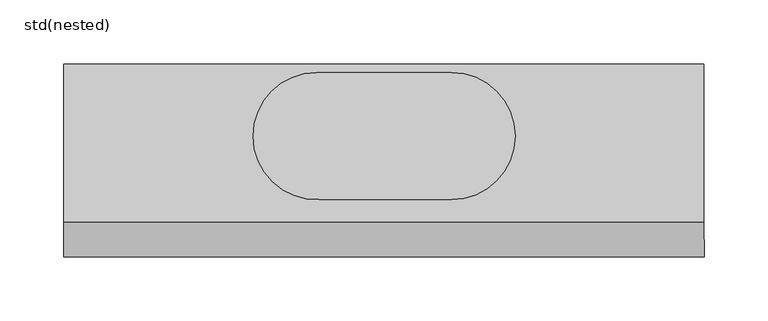
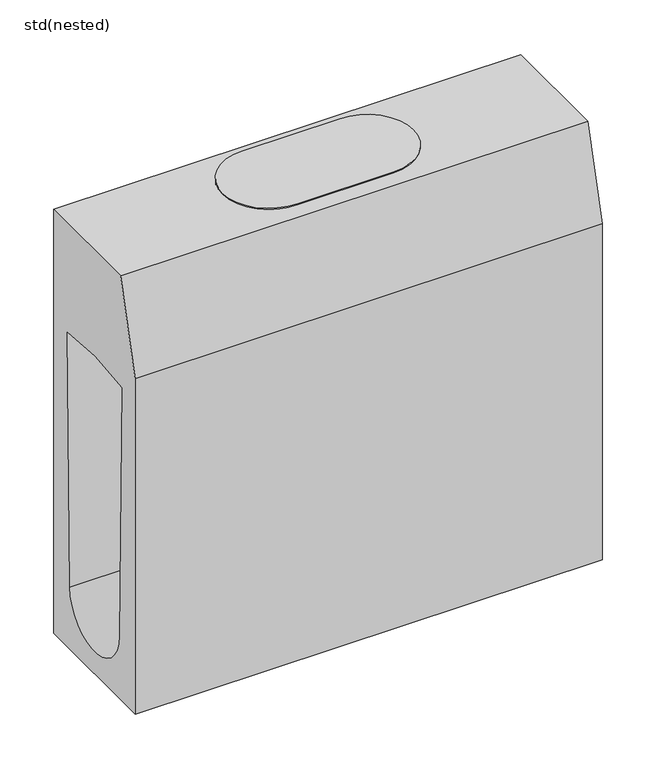
"""IFC4 building model written with IfcOpenShell, lengths in millimetres: sanitary terminal geometry, std(nested)."""

from ifc_helpers import new_model, si_unit, frame, origin, place, context, project, spatial, polyline, circle_curve, source, transform, mapped, element, save
from ifc_brep_helpers import plane_surface, cylinder_surface, revolved_surface, advanced_brep


def std_nested_13959502(model_context):
    return source(origin(), model_context, "Body", "AdvancedBrep", [
        advanced_brep(
        [(-605.0387345, -606.9923419, 1.0), (-553.3015722, -656.635786, 1.0), (-450.0824871, -656.635786, 1.0), (-400.4581295, -607.0114284, 1.0), (-450.248432, -557.2211259, 1.0), (-555.3529241, -557.3023433, 1.0), (-605.0387345, -606.9923419, -10.0), (-555.3529257, -557.306533, -10.0), (-450.3529273, -557.3023433, -10.0), (-400.4581295, -607.0114284, -10.0), (-450.0824871, -656.635786, -10.0), (-553.3015722, -656.635786, -10.0)],
        [
            (0, 1, circle_curve(frame((-555.3529257, -606.9923419, 1.0), z_axis=(0.0, 0.0, 1.0), x_axis=(1.0, 0.0, 0.0)), 49.6858088)),
            (1, 2),
            (2, 3, circle_curve(frame((-450.0824871, -607.0114284, 1.0), z_axis=(0.0, 0.0, 1.0), x_axis=(1.0, 0.0, 0.0)), 49.6243576)),
            (3, 4, circle_curve(frame((-450.248432, -607.0114284, 1.0), z_axis=(0.0, 0.0, 1.0), x_axis=(1.0, 0.0, 0.0)), 49.7903025)),
            (4, 5),
            (5, 0, circle_curve(frame((-555.3529257, -606.9923419, 1.0), z_axis=(0.0, 0.0, 1.0), x_axis=(1.0, 0.0, 0.0)), 49.6858088)),
            (6, 7, circle_curve(frame((-555.3529257, -606.9923419, -10.0), z_axis=(0.0, 0.0, -1.0), x_axis=(1.0, 0.0, 0.0)), 49.6858088)),
            (7, 8),
            (8, 9, circle_curve(frame((-450.248432, -607.0114284, -10.0), z_axis=(0.0, 0.0, -1.0), x_axis=(1.0, 0.0, 0.0)), 49.7903025)),
            (9, 10, circle_curve(frame((-450.0824871, -607.0114284, -10.0), z_axis=(0.0, 0.0, -1.0), x_axis=(1.0, 0.0, 0.0)), 49.6243576)),
            (10, 11),
            (11, 6, circle_curve(frame((-555.3529257, -606.9923419, -10.0), z_axis=(0.0, 0.0, -1.0), x_axis=(1.0, 0.0, 0.0)), 49.6858088)),
            (0, 6),
            (11, 1),
            (10, 2),
            (9, 3),
            (8, 4),
            (7, 5),
        ],
        [
            plane_surface(frame((-505.6671169, -606.9923419, 1.0), z_axis=(0.0, 0.0, 1.0), x_axis=(0.0, 1.0, 0.0))),
            plane_surface(frame((-505.6671169, -606.9923419, -10.0), z_axis=(0.0, 0.0, -1.0), x_axis=(0.0, -1.0, 0.0))),
            cylinder_surface(frame((-555.3529257, -606.9923419, -10.0), z_axis=(0.0, 0.0, 1.0), x_axis=(1.0, 0.0, 0.0)), 49.6858088),
            plane_surface(frame((-553.3015722, -656.635786, 1.0), z_axis=(0.0, -1.0, 0.0), x_axis=(0.0, 0.0, -1.0))),
            cylinder_surface(frame((-450.0824871, -607.0114284, -10.0), z_axis=(0.0, 0.0, 1.0), x_axis=(1.0, 0.0, 0.0)), 49.6243576),
            cylinder_surface(frame((-450.248432, -607.0114284, -10.0), z_axis=(0.0, 0.0, 1.0), x_axis=(1.0, 0.0, 0.0)), 49.7903025),
            plane_surface(frame((-450.3529273, -557.3023433, 1.0), z_axis=(0.0, 1.0, 0.0), x_axis=(0.0, 0.0, -1.0))),
        ],
        [
            (0, [[1, 2, 3, 4, 5, 6]]),
            (1, [[7, 8, 9, 10, 11, 12]]),
            (2, [[-1, 13, -12, 14]]),
            (3, [[-2, -14, -11, 15]]),
            (4, [[-3, -15, -10, 16]]),
            (5, [[-4, -16, -9, 17]]),
            (6, [[-5, -17, -8, 18]]),
            (2, [[-6, -18, -7, -13]]),
        ],
    ),
        advanced_brep(
        [(-252.8529257, -550.4923488, 0.0), (-252.8529257, -674.6974224, 0.0), (-252.8529257, -701.4923419, -100.0000015), (-252.8529257, -701.4923419, -480.0), (-252.8529257, -550.4923488, -480.0), (-252.8529257, -575.5805575, -123.9667298), (-252.8529257, -580.0327806, -409.9054867), (-252.8529257, -671.9519045, -409.9054789), (-252.8529257, -676.2356429, -125.5654558), (-752.8529257, -550.4923488, 0.0), (-752.8529257, -550.4923488, -480.0), (-752.8529257, -701.4923419, -480.0), (-752.8529257, -701.4923419, -100.0000015), (-752.8529257, -674.6974224, 0.0), (-752.8529257, -575.5805575, -123.9667298), (-752.8529257, -676.2356429, -125.5654558), (-752.8529257, -671.9519045, -409.9054789), (-752.8529257, -580.0327806, -409.9054867), (-557.8529257, -621.0760284, -480.0), (-447.8529257, -621.0760284, -480.0), (-557.8529257, -550.4923488, -371.0), (-447.8529257, -550.4923488, -371.0), (-447.8529257, -560.4923488, -371.0), (-557.8529257, -560.4923488, -371.0), (-557.8529257, -621.0760284, -465.2588205), (-447.8529257, -621.0760284, -465.2588205)],
        [
            (0, 1),
            (1, 2),
            (2, 3),
            (3, 4),
            (4, 0),
            (5, 6),
            (6, 7, circle_curve(frame((-252.8529257, -625.9923425, -409.032141), z_axis=(-1.0, 0.0, 0.0), x_axis=(0.0, 1.0, 0.0)), 45.967859)),
            (7, 8),
            (8, 5, circle_curve(frame((-252.8529257, -621.130792, -425.5433092), z_axis=(-1.0, 0.0, 0.0), x_axis=(0.0, 1.0, 0.0)), 304.9971429)),
            (9, 10),
            (10, 11),
            (11, 12),
            (12, 13),
            (13, 9),
            (14, 15, circle_curve(frame((-752.8529257, -621.130792, -425.5433092), z_axis=(1.0, 0.0, 0.0), x_axis=(0.0, 1.0, 0.0)), 304.9971429)),
            (15, 16),
            (16, 17, circle_curve(frame((-752.8529257, -625.9923425, -409.032141), z_axis=(1.0, 0.0, 0.0), x_axis=(0.0, 1.0, 0.0)), 45.967859)),
            (17, 14),
            (8, 15),
            (14, 5),
            (7, 16),
            (6, 17),
            (0, 9),
            (13, 1),
            (2, 12),
            (11, 3),
            (10, 4),
            (18, 19, circle_curve(frame((-502.8529257, -621.0760284, -480.0), z_axis=(0.0, 0.0, 1.0), x_axis=(1.0, 0.0, 0.0)), 55.0)),
            (19, 18, circle_curve(frame((-502.8529257, -621.0760284, -480.0), z_axis=(0.0, 0.0, 1.0), x_axis=(1.0, 0.0, 0.0)), 55.0)),
            (20, 21, circle_curve(frame((-502.8529257, -550.4923488, -371.0), z_axis=(0.0, -1.0, 0.0), x_axis=(-1.0, 0.0, 0.0)), 55.0)),
            (21, 20, circle_curve(frame((-502.8529257, -550.4923488, -371.0), z_axis=(0.0, -1.0, 0.0), x_axis=(-1.0, 0.0, 0.0)), 55.0)),
            (22, 23, circle_curve(frame((-502.8529257, -560.4923488, -371.0), z_axis=(0.0, 1.0, 0.0), x_axis=(-1.0, 0.0, 0.0)), 55.0)),
            (23, 22, circle_curve(frame((-502.8529257, -560.4923488, -371.0), z_axis=(0.0, 1.0, 0.0), x_axis=(-1.0, 0.0, 0.0)), 55.0)),
            (22, 21),
            (20, 23),
            (24, 25, circle_curve(frame((-502.8529257, -621.0760284, -465.2588205), z_axis=(0.0, 0.0, -1.0), x_axis=(1.0, 0.0, 0.0)), 55.0)),
            (25, 24, circle_curve(frame((-502.8529257, -621.0760284, -465.2588205), z_axis=(0.0, 0.0, -1.0), x_axis=(1.0, 0.0, 0.0)), 55.0)),
            (25, 19),
            (18, 24),
        ],
        [
            plane_surface(frame((-252.8529257, -575.5805575, -123.9667298), z_axis=(1.0, 0.0, 0.0), x_axis=(0.0, -0.01556866094723295, -0.9998788010535627))),
            plane_surface(frame((-752.8529257, -575.5805575, -123.9667298), z_axis=(-1.0, 0.0, 0.0), x_axis=(0.0, 0.01556866094723295, 0.9998788010535627))),
            revolved_surface(polyline([(-752.8529257, -316.13364910000007, -425.5433092), (-252.85292570000001, -316.13364910000007, -425.5433092)]), (-752.8529257, -621.130792, -425.5433092), (-1.0, 0.0, 0.0)),
            plane_surface(frame((-252.8529257, -671.9519045, -409.9054789), z_axis=(0.0, 0.9998865339412975, 0.01506383891505293), x_axis=(-1.0, 0.0, 0.0))),
            revolved_surface(polyline([(-752.8529257, -580.0244835, -409.032141), (-252.85292570000001, -580.0244835, -409.032141)]), (-752.8529257, -625.9923425, -409.032141), (-1.0, 0.0, 0.0)),
            plane_surface(frame((-252.8529257, -575.5805575, -123.9667298), z_axis=(0.0, -0.9998788010535627, 0.01556866094723295), x_axis=(-1.0, 0.0, 0.0))),
            plane_surface(frame((-252.8529257, -550.4923488, 0.0), z_axis=(0.0, 0.0, 1.0), x_axis=(-1.0, 0.0, 0.0))),
            plane_surface(frame((-252.8529257, -701.4923419, -100.0000015), z_axis=(0.0, -1.0, 0.0), x_axis=(-1.0, 0.0, 0.0))),
            plane_surface(frame((-252.8529257, -701.4923419, -480.0), z_axis=(0.0, 0.0, -1.0), x_axis=(-1.0, 0.0, 0.0))),
            plane_surface(frame((-252.8529257, -550.4923488, -480.0), z_axis=(0.0, 1.0, 0.0), x_axis=(-1.0, 0.0, 0.0))),
            plane_surface(frame((-252.8529257, -674.6974224, 0.0), z_axis=(0.0, -0.9659258266635665, 0.25881904370487435), x_axis=(-1.0, 0.0, 0.0))),
            plane_surface(frame((-557.8529257, -560.4923488, -371.0), z_axis=(0.0, 1.0, 0.0), x_axis=(0.0, 0.0, -1.0))),
            revolved_surface(polyline([(-557.8529257, -550.4923488, -371.0), (-557.8529257, -560.4923488, -371.0)]), (-502.8529257, -560.4923488, -371.0), (0.0, 1.0, 0.0)),
            plane_surface(frame((-447.8529257, -621.0760284, -465.2588205), z_axis=(0.0, 0.0, -1.0), x_axis=(0.0, 1.0, 0.0))),
            revolved_surface(polyline([(-447.8529257, -621.0760284, -465.2588205), (-447.8529257, -621.0760284, -480.0)]), (-502.8529257, -621.0760284, -480.0), (0.0, 0.0, 1.0)),
        ],
        [
            (0, [[1, 2, 3, 4, 5], [6, 7, 8, 9]]),
            (1, [[10, 11, 12, 13, 14], [15, 16, 17, 18]]),
            (2, [[-9, 19, -15, 20]]),
            (3, [[-8, 21, -16, -19]]),
            (4, [[-7, 22, -17, -21]]),
            (5, [[-6, -20, -18, -22]]),
            (6, [[-1, 23, -14, 24]]),
            (7, [[-3, 25, -12, 26]]),
            (8, [[-4, -26, -11, 27], [28, 29]]),
            (9, [[-5, -27, -10, -23], [30, 31]]),
            (10, [[-2, -24, -13, -25]]),
            (11, [[32, 33]]),
            (12, [[-32, 34, -30, 35]]),
            (12, [[-33, -35, -31, -34]]),
            (13, [[36, 37]]),
            (14, [[-37, 38, -28, 39]]),
            (14, [[-36, -39, -29, -38]]),
        ],
    ),
    ])


if __name__ == "__main__":
    model = new_model("IFC4")
    model_context = context("Model", 3, world=origin())
    ifc_project = project(units=[si_unit("LENGTHUNIT", "METRE", prefix="MILLI")], contexts=[model_context])
    site = spatial("IfcSite", under=ifc_project)
    building = spatial("IfcBuilding", under=site)
    placement = place(None, origin())
    std_nested_shape = std_nested_13959502(model_context)
    element("IfcSanitaryTerminal", 1, ObjectType="std(nested)", at=placement, inside=building, context=model_context, shape_type="MappedRepresentation", body=[
        mapped(std_nested_shape, transform((0.0, 0.0, 0.0), x_axis=(1.0, 0.0, 0.0), y_axis=(0.0, 1.0, 0.0), z_axis=(0.0, 0.0, 1.0))),
    ])
    save(model, "model.ifc")
